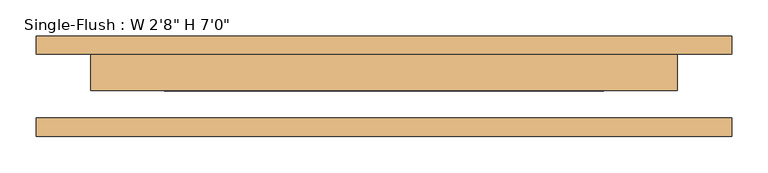
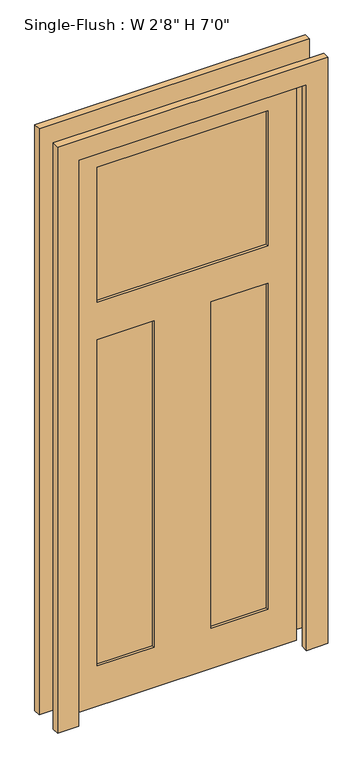
"""IFC4 building model written with IfcOpenShell, lengths in millimetres: door geometry."""

import ifcopenshell
import ifcopenshell.guid

model = None  # the IFC model being written
_history = None  # IfcOwnerHistory: only IFC2X3 demands one
_inside = {}  # id of a spatial element -> (the spatial element, [elements in it])
_under = {}  # id of a project, library or spatial element -> (it, [spatial elements below it])
_declared = {}  # id of a project -> (the project, [libraries it declares])
_typed = {}  # id of a type object -> (the type object, [elements of that type])
_made_of = {}  # id of a material, layer set ... -> (it, [elements and type objects made of it])


def new_model(schema):
    """Start an empty IFC model of exactly this schema.

    Asked for "IFC4X3", IfcOpenShell would pick the latest addendum, in which some entities
    have other attributes; the version numbers below select the first issue.
    IFC2X3 requires an IfcOwnerHistory on every rooted entity: one is made here for all.
    """
    global model, _history
    if schema == "IFC4X3":
        model = ifcopenshell.file(schema_version=(4, 3, 0, 0))
    else:
        model = ifcopenshell.file(schema=schema)
    _inside.clear()
    _under.clear()
    _declared.clear()
    _typed.clear()
    _made_of.clear()
    _history = None
    if model.schema == "IFC2X3":
        org = make("IfcOrganization", Name="unknown")
        user = make(
            "IfcPersonAndOrganization",
            ThePerson=make("IfcPerson", FamilyName="unknown"),
            TheOrganization=org,
        )
        app = make(
            "IfcApplication",
            ApplicationDeveloper=org,
            Version="unknown",
            ApplicationFullName="unknown",
            ApplicationIdentifier="unknown",
        )
        _history = make(
            "IfcOwnerHistory",
            OwningUser=user,
            OwningApplication=app,
            ChangeAction="ADDED",
            CreationDate=0,
        )
    return model


def make(cls, **values):
    """One entity of the class cls with the attributes given. An attribute that is None is left unset."""
    return model.create_entity(
        cls, **{name: value for name, value in values.items() if value is not None}
    )


def rooted(cls, **values):
    """An entity with a GlobalId (a new one), such as an element, a storey or a relation."""
    return make(cls, GlobalId=ifcopenshell.guid.new(), OwnerHistory=_history, **values)


def si_unit(unit_type, name, prefix=None):
    """IfcSIUnit, for example si_unit("LENGTHUNIT", "METRE", prefix="MILLI")."""
    return make("IfcSIUnit", UnitType=unit_type, Prefix=prefix, Name=name)


def assignment(units):
    """IfcUnitAssignment: the units of a project."""
    return None if units is None else make("IfcUnitAssignment", Units=units)


def point(xyz):
    """IfcCartesianPoint."""
    return None if xyz is None else make("IfcCartesianPoint", Coordinates=xyz)


def direction(xyz):
    """IfcDirection."""
    return None if xyz is None else make("IfcDirection", DirectionRatios=xyz)


def frame(location, z_axis=None, x_axis=None):
    """IfcAxis2Placement3D, a coordinate frame: its origin and axes. An axis left out is left unset."""
    return make(
        "IfcAxis2Placement3D",
        Location=point(location),
        Axis=direction(z_axis),
        RefDirection=direction(x_axis),
    )


def origin():
    """The frame at (0, 0, 0) with its axes left unset."""
    return frame((0.0, 0.0, 0.0))


def place(relative_to, where):
    """IfcLocalPlacement: puts the frame where relative to a parent placement (None: the world)."""
    return make(
        "IfcLocalPlacement", PlacementRelTo=relative_to, RelativePlacement=where
    )


def context(
    kind, dimensions, precision=None, world=None, true_north=None, identifier=None
):
    """IfcGeometricRepresentationContext, for example the 3D "Model" context."""
    return make(
        "IfcGeometricRepresentationContext",
        ContextIdentifier=identifier,
        ContextType=kind,
        CoordinateSpaceDimension=dimensions,
        Precision=precision,
        WorldCoordinateSystem=world,
        TrueNorth=true_north,
    )


def project(units=None, contexts=None):
    """IfcProject with its units and contexts."""
    return rooted(
        "IfcProject",
        Name="project",
        RepresentationContexts=contexts,
        UnitsInContext=assignment(units),
    )


def spatial(cls, under=None, at=None, **own):
    """A site, building, storey or space (cls), placed at a placement, below another one or the project."""
    s = rooted(cls, ObjectPlacement=at, **own)
    if under is not None:
        _under.setdefault(under.id(), (under, []))[1].append(s)
    return s


def polyline(points):
    """IfcPolyline through the points."""
    return make("IfcPolyline", Points=[point(p) for p in points])


def outline(outer, holes=None, kind="AREA"):
    """IfcArbitraryClosedProfileDef: a profile drawn as a closed curve; with holes, ...WithVoids."""
    if holes is None:
        return make("IfcArbitraryClosedProfileDef", ProfileType=kind, OuterCurve=outer)
    return make(
        "IfcArbitraryProfileDefWithVoids",
        ProfileType=kind,
        OuterCurve=outer,
        InnerCurves=holes,
    )


def extrude(swept, where, along, depth):
    """IfcExtrudedAreaSolid: the profile swept, set in the frame where, extruded along a direction by depth."""
    return make(
        "IfcExtrudedAreaSolid",
        SweptArea=swept,
        Position=where,
        ExtrudedDirection=direction(along),
        Depth=depth,
    )


def faces_of(points, faces, orient=None, outer=None):
    """IfcFace entities. A face is a list of loops; a loop is a list of indices into points, from 0.

    orient and outer hold one flag for each loop. By default every Orientation is true, the
    first loop of a face is its IfcFaceOuterBound and the others are IfcFaceBound.
    """
    made = []
    for i, loops in enumerate(faces):
        bounds = []
        for j, loop in enumerate(loops):
            is_outer = j == 0 if outer is None else outer[i][j]
            bounds.append(
                make(
                    "IfcFaceOuterBound" if is_outer else "IfcFaceBound",
                    Bound=make("IfcPolyLoop", Polygon=[points[k] for k in loop]),
                    Orientation=True if orient is None else orient[i][j],
                )
            )
        made.append(make("IfcFace", Bounds=bounds))
    return made


def faceted_brep(points, faces, orient=None, outer=None, voids=None):
    """IfcFacetedBrep: a solid bounded by flat faces; with voids (closed shells), ...WithVoids."""
    shared = [point(p) for p in points]
    hull = make("IfcClosedShell", CfsFaces=faces_of(shared, faces, orient, outer))
    if voids is None:
        return make("IfcFacetedBrep", Outer=hull)
    return make(
        "IfcFacetedBrepWithVoids",
        Outer=hull,
        Voids=[
            make(cls, CfsFaces=faces_of(shared, fs, o, b)) for cls, fs, o, b in voids
        ],
    )


def shape(context_of_items, identifier, shape_type, items):
    """IfcShapeRepresentation: the items that make up one representation, for example the "Body"."""
    return make(
        "IfcShapeRepresentation",
        ContextOfItems=context_of_items,
        RepresentationIdentifier=identifier,
        RepresentationType=shape_type,
        Items=items,
    )


def source(mapping_origin, context_of_items, identifier, shape_type, items):
    """IfcRepresentationMap: a shape defined once, which mapped items show again and again."""
    return make(
        "IfcRepresentationMap",
        MappingOrigin=mapping_origin,
        MappedRepresentation=shape(context_of_items, identifier, shape_type, items),
    )


def transform(
    local_origin,
    x_axis=None,
    y_axis=None,
    z_axis=None,
    scale=None,
    scale2=None,
    scale3=None,
    uniform=True,
):
    """IfcCartesianTransformationOperator3D, or its non-uniform kind. x_axis, y_axis, z_axis: its Axis1, 2, 3."""
    if uniform:
        return make(
            "IfcCartesianTransformationOperator3D",
            Axis1=direction(x_axis),
            Axis2=direction(y_axis),
            LocalOrigin=point(local_origin),
            Scale=scale,
            Axis3=direction(z_axis),
        )
    return make(
        "IfcCartesianTransformationOperator3DnonUniform",
        Axis1=direction(x_axis),
        Axis2=direction(y_axis),
        LocalOrigin=point(local_origin),
        Scale=scale,
        Axis3=direction(z_axis),
        Scale2=scale2,
        Scale3=scale3,
    )


def mapped(mapping_source, mapping_target):
    """IfcMappedItem: shows the shape of a source again, moved by a transform."""
    return make(
        "IfcMappedItem", MappingSource=mapping_source, MappingTarget=mapping_target
    )


def made_of(thing, what):
    """Note that an element or type object is made of a material, layer set ...; save() writes the relation."""
    if what is not None:
        _made_of.setdefault(what.id(), (what, []))[1].append(thing)
    return thing


def element(
    cls,
    number,
    at=None,
    inside=None,
    cuts=None,
    type_object=None,
    material=None,
    context=None,
    identifier="Body",
    shape_type=None,
    held_by="IfcProductDefinitionShape",
    body=None,
    shapes=None,
    **own,
):
    """One element of the class cls, such as IfcWall. Its Tag is "e" and its number.

    at: its placement. inside: the storey or other place that contains it. cuts: it is an
    opening in that element (IfcRelVoidsElement). A single representation is given by context,
    identifier, shape_type and body (its items); several are given by shapes. held_by: the class
    of the entity that holds the representations. save() writes the other relations.
    """
    e = rooted(cls, Tag="e%d" % number, ObjectPlacement=at, **own)
    if body is not None:
        shapes = [shape(context, identifier, shape_type, body)]
    if shapes is not None:
        e.Representation = make(held_by, Representations=shapes)
    if inside is not None:
        _inside.setdefault(inside.id(), (inside, []))[1].append(e)
    if cuts is not None:
        rooted(
            "IfcRelVoidsElement", RelatingBuildingElement=cuts, RelatedOpeningElement=e
        )
    if type_object is not None:
        _typed.setdefault(type_object.id(), (type_object, []))[1].append(e)
    return made_of(e, material)


def aggregate(whole, parts):
    """IfcRelAggregates: a whole, such as a stair, and the parts it consists of."""
    return rooted("IfcRelAggregates", RelatingObject=whole, RelatedObjects=parts)


def save(model, path):
    """Write the relations noted so far, then the file.

    IfcRelAggregates (storeys below a building ...), IfcRelContainedInSpatialStructure (elements
    in a storey), IfcRelDefinesByType, IfcRelAssociatesMaterial and IfcRelDeclares: one each for
    every whole, place, type object, material and project.
    """
    for whole, parts in _under.values():
        aggregate(whole, parts)
    for where, things in _inside.values():
        rooted(
            "IfcRelContainedInSpatialStructure",
            RelatedElements=things,
            RelatingStructure=where,
        )
    for kind, things in _typed.values():
        rooted("IfcRelDefinesByType", RelatedObjects=things, RelatingType=kind)
    for what, things in _made_of.values():
        rooted("IfcRelAssociatesMaterial", RelatedObjects=things, RelatingMaterial=what)
    for by, libraries in _declared.values():
        rooted("IfcRelDeclares", RelatingContext=by, RelatedDefinitions=libraries)
    model.write(path)


def door_4c607107(model_context):
    return source(origin(), model_context, "Body", "SolidModel", [
        faceted_brep([(406.4, -6.35, 2133.6), (-406.4, -6.35, 2133.6), (-406.4, -6.35, 0.0), (406.4, -6.35, 0.0), (304.8, -6.35, 2032.0), (304.8, -6.35, 1524.0), (-304.8, -6.35, 1524.0), (-304.8, -6.35, 2032.0), (-101.6, -6.35, 1382.3847826), (-101.6, -6.35, 152.4), (-304.8, -6.35, 152.4), (-304.8, -6.35, 1382.3847826), (101.6, -6.35, 1382.3847826), (304.8, -6.35, 1382.3847826), (304.8, -6.35, 152.4), (101.6, -6.35, 152.4), (406.4, 44.45, 2133.6), (406.4, 44.45, 0.0), (-406.4, 44.45, 0.0), (-406.4, 44.45, 2133.6), (304.8, 44.45, 1524.0), (304.8, 44.45, 2032.0), (-304.8, 44.45, 2032.0), (-304.8, 44.45, 1524.0), (-101.6, 44.45, 152.4), (-101.6, 44.45, 1382.3847826), (-304.8, 44.45, 1382.3847826), (-304.8, 44.45, 152.4), (304.8, 44.45, 1382.3847826), (101.6, 44.45, 1382.3847826), (101.6, 44.45, 152.4), (304.8, 44.45, 152.4), (304.8, 34.925, 2032.0), (304.8, 34.925, 1524.0), (-304.8, 34.925, 1524.0), (-304.8, 34.925, 2032.0), (-101.6, 34.925, 1382.3847826), (-101.6, 34.925, 152.4), (-304.8, 34.925, 152.4), (-304.8, 34.925, 1382.3847826), (101.6, 34.925, 1382.3847826), (304.8, 34.925, 1382.3847826), (304.8, 34.925, 152.4), (101.6, 34.925, 152.4), (304.8, 3.175, 2032.0), (-304.8, 3.175, 2032.0), (-304.8, 3.175, 1524.0), (304.8, 3.175, 1524.0), (-101.6, 3.175, 1382.3847826), (-304.8, 3.175, 1382.3847826), (-304.8, 3.175, 152.4), (-101.6, 3.175, 152.4), (101.6, 3.175, 1382.3847826), (101.6, 3.175, 152.4), (304.8, 3.175, 152.4), (304.8, 3.175, 1382.3847826)], [[[0, 1, 2, 3], [4, 5, 6, 7], [8, 9, 10, 11], [12, 13, 14, 15]], [[16, 17, 18, 19], [20, 21, 22, 23], [24, 25, 26, 27], [28, 29, 30, 31]], [[1, 0, 16, 19]], [[2, 1, 19, 18]], [[3, 2, 18, 17]], [[0, 3, 17, 16]], [[32, 33, 34, 35]], [[36, 37, 38, 39]], [[40, 41, 42, 43]], [[33, 32, 21, 20]], [[34, 33, 20, 23]], [[35, 34, 23, 22]], [[32, 35, 22, 21]], [[37, 36, 25, 24]], [[38, 37, 24, 27]], [[39, 38, 27, 26]], [[36, 39, 26, 25]], [[41, 40, 29, 28]], [[42, 41, 28, 31]], [[43, 42, 31, 30]], [[40, 43, 30, 29]], [[44, 45, 46, 47]], [[48, 49, 50, 51]], [[52, 53, 54, 55]], [[44, 47, 5, 4]], [[47, 46, 6, 5]], [[46, 45, 7, 6]], [[45, 44, 4, 7]], [[48, 51, 9, 8]], [[51, 50, 10, 9]], [[50, 49, 11, 10]], [[49, 48, 8, 11]], [[52, 55, 13, 12]], [[55, 54, 14, 13]], [[54, 53, 15, 14]], [[53, 52, 12, 15]]]),
        extrude(outline(polyline([(2209.8, -482.6), (0.0, -482.6), (0.0, -406.4), (2133.6, -406.4), (2133.6, 406.4), (0.0, 406.4), (0.0, 482.6), (2209.8, 482.6), (2209.8, -482.6)])), frame((0.0, 44.45, 0.0), z_axis=(0.0, 1.0, 0.0), x_axis=(0.0, 0.0, 1.0)), (0.0, 0.0, 1.0), 25.4),
        extrude(outline(polyline([(2209.8, 482.6), (2209.8, -482.6), (0.0, -482.6), (0.0, -406.4), (2133.6, -406.4), (2133.6, 406.4), (0.0, 406.4), (0.0, 482.6), (2209.8, 482.6)])), frame((0.0, -69.85, 0.0), z_axis=(0.0, 1.0, 0.0), x_axis=(0.0, 0.0, 1.0)), (0.0, 0.0, 1.0), 25.4),
    ])


if __name__ == "__main__":
    model = new_model("IFC4")
    model_context = context("Model", 3, world=origin())
    ifc_project = project(units=[si_unit("LENGTHUNIT", "METRE", prefix="MILLI")], contexts=[model_context])
    site = spatial("IfcSite", under=ifc_project)
    building = spatial("IfcBuilding", under=site)
    placement = place(None, origin())
    door_shape = door_4c607107(model_context)
    element("IfcDoor", 1, ObjectType="Single-Flush : W 2'8\" H 7'0\"", at=placement, inside=building, context=model_context, shape_type="MappedRepresentation", body=[
        mapped(door_shape, transform((0.0, 0.0, 0.0), x_axis=(1.0, 0.0, 0.0), y_axis=(0.0, 1.0, 0.0), z_axis=(0.0, 0.0, 1.0))),
    ])
    save(model, "model.ifc")
